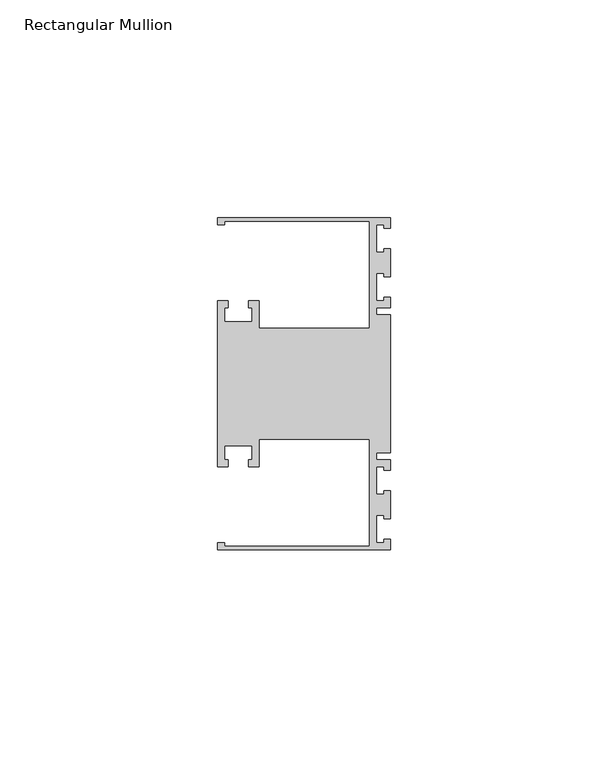
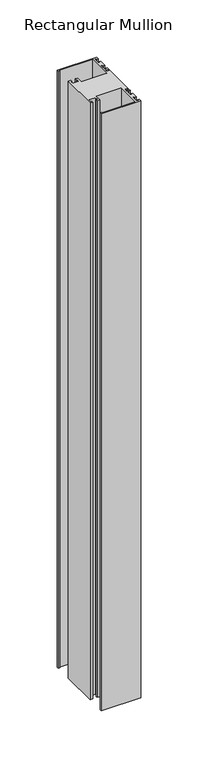
"""IFC4 building model written with IfcOpenShell, lengths in millimetres: member geometry, Rectangular Mullion."""

from ifc_helpers import new_model, si_unit, frame, origin, place, context, project, spatial, polyline, outline, extrude, source, transform, mapped, element, save


def rectangular_mullion_06d4cf59(model_context):
    return source(origin(), model_context, "Body", "SweptSolid", [
        extrude(outline(polyline([(0.0, -38.1), (-39.6875, -38.1), (-39.6875, -36.5125), (-38.1, -36.5125), (-38.1, -37.30625), (-4.7625, -37.30625), (-4.7625, -12.7), (-30.1625, -12.7), (-30.1625, -19.05), (-32.54375, -19.05), (-32.54375, -17.4625), (-31.75, -17.4625), (-31.75, -14.2875), (-38.1, -14.2875), (-38.1, -17.4625), (-37.30625, -17.4625), (-37.30625, -19.05), (-39.6875, -19.05), (-39.6875, 19.05), (-37.30625, 19.05), (-37.30625, 17.4625), (-38.1, 17.4625), (-38.1, 14.2875), (-31.75, 14.2875), (-31.75, 17.4625), (-32.54375, 17.4625), (-32.54375, 19.05), (-30.1625, 19.05), (-30.1625, 12.7), (-4.7625, 12.7), (-4.7625, 37.30625), (-38.1, 37.30625), (-38.1, 36.5125), (-39.6875, 36.5125), (-39.6875, 38.1), (0.0, 38.1), (0.0, 35.71875), (-1.4999946, 35.71875), (-1.4999946, 36.5125), (-3.175, 36.5125), (-3.175, 30.1625), (-1.4999946, 30.1625), (-1.4999946, 30.95625), (0.0, 30.95625), (0.0, 24.60625), (-1.4999946, 24.60625), (-1.4999946, 25.4), (-3.175, 25.4), (-3.175, 19.05), (-1.4999946, 19.05), (-1.4999946, 19.84375), (0.0, 19.84375), (0.0, 17.4625), (-3.175, 17.4625), (-3.175, 15.875), (0.0, 15.875), (0.0, -15.875), (-3.175, -15.875), (-3.175, -17.4625), (0.0, -17.4625), (0.0, -19.84375), (-1.4999946, -19.84375), (-1.4999946, -19.05), (-3.175, -19.05), (-3.175, -25.4), (-1.4999946, -25.4), (-1.4999946, -24.60625), (0.0, -24.60625), (0.0, -30.95625), (-1.4999946, -30.95625), (-1.4999946, -30.1625), (-3.175, -30.1625), (-3.175, -36.5125), (-1.4999946, -36.5125), (-1.4999946, -35.71875), (0.0, -35.71875), (0.0, -38.1)])), frame((0.0, 0.0, -635.0), z_axis=(0.0, 0.0, 1.0), x_axis=(1.0, 0.0, 0.0)), (0.0, 0.0, 1.0), 635.0),
    ])


if __name__ == "__main__":
    model = new_model("IFC4")
    model_context = context("Model", 3, world=origin())
    ifc_project = project(units=[si_unit("LENGTHUNIT", "METRE", prefix="MILLI")], contexts=[model_context])
    site = spatial("IfcSite", under=ifc_project)
    building = spatial("IfcBuilding", under=site)
    placement = place(None, origin())
    rectangular_mullion_shape = rectangular_mullion_06d4cf59(model_context)
    element("IfcMember", 1, ObjectType="Rectangular Mullion", at=placement, inside=building, context=model_context, shape_type="MappedRepresentation", body=[
        mapped(rectangular_mullion_shape, transform((0.0, 0.0, 0.0), x_axis=(1.0, 0.0, 0.0), y_axis=(0.0, 1.0, 0.0), z_axis=(0.0, 0.0, 1.0))),
    ])
    save(model, "model.ifc")
